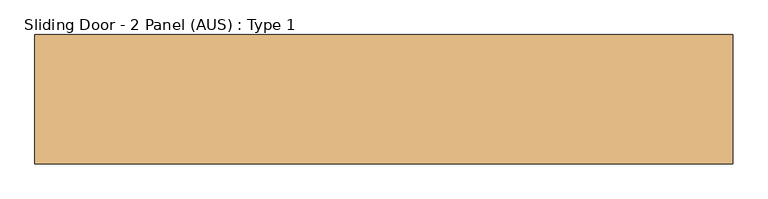
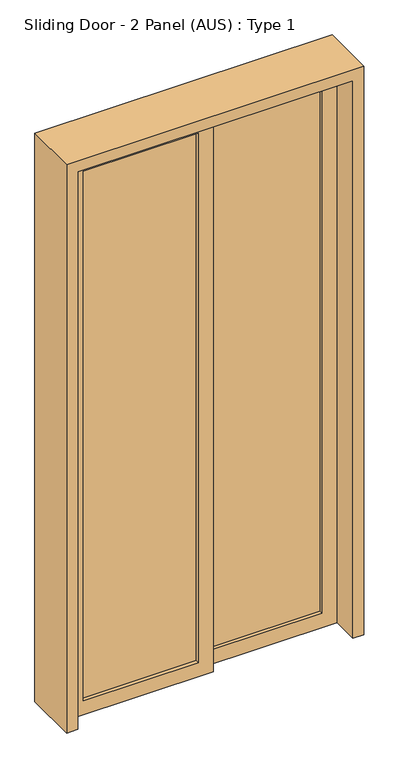
"""IFC4 building model written with IfcOpenShell, lengths in millimetres: door geometry, Sliding Door - 2 Panel (AUS) : Type 1."""

import ifcopenshell
import ifcopenshell.guid

model = None  # the IFC model being written
_history = None  # IfcOwnerHistory: only IFC2X3 demands one
_inside = {}  # id of a spatial element -> (the spatial element, [elements in it])
_under = {}  # id of a project, library or spatial element -> (it, [spatial elements below it])
_declared = {}  # id of a project -> (the project, [libraries it declares])
_typed = {}  # id of a type object -> (the type object, [elements of that type])
_made_of = {}  # id of a material, layer set ... -> (it, [elements and type objects made of it])


def new_model(schema):
    """Start an empty IFC model of exactly this schema.

    Asked for "IFC4X3", IfcOpenShell would pick the latest addendum, in which some entities
    have other attributes; the version numbers below select the first issue.
    IFC2X3 requires an IfcOwnerHistory on every rooted entity: one is made here for all.
    """
    global model, _history
    if schema == "IFC4X3":
        model = ifcopenshell.file(schema_version=(4, 3, 0, 0))
    else:
        model = ifcopenshell.file(schema=schema)
    _inside.clear()
    _under.clear()
    _declared.clear()
    _typed.clear()
    _made_of.clear()
    _history = None
    if model.schema == "IFC2X3":
        org = make("IfcOrganization", Name="unknown")
        user = make(
            "IfcPersonAndOrganization",
            ThePerson=make("IfcPerson", FamilyName="unknown"),
            TheOrganization=org,
        )
        app = make(
            "IfcApplication",
            ApplicationDeveloper=org,
            Version="unknown",
            ApplicationFullName="unknown",
            ApplicationIdentifier="unknown",
        )
        _history = make(
            "IfcOwnerHistory",
            OwningUser=user,
            OwningApplication=app,
            ChangeAction="ADDED",
            CreationDate=0,
        )
    return model


def make(cls, **values):
    """One entity of the class cls with the attributes given. An attribute that is None is left unset."""
    return model.create_entity(
        cls, **{name: value for name, value in values.items() if value is not None}
    )


def rooted(cls, **values):
    """An entity with a GlobalId (a new one), such as an element, a storey or a relation."""
    return make(cls, GlobalId=ifcopenshell.guid.new(), OwnerHistory=_history, **values)


def si_unit(unit_type, name, prefix=None):
    """IfcSIUnit, for example si_unit("LENGTHUNIT", "METRE", prefix="MILLI")."""
    return make("IfcSIUnit", UnitType=unit_type, Prefix=prefix, Name=name)


def assignment(units):
    """IfcUnitAssignment: the units of a project."""
    return None if units is None else make("IfcUnitAssignment", Units=units)


def point(xyz):
    """IfcCartesianPoint."""
    return None if xyz is None else make("IfcCartesianPoint", Coordinates=xyz)


def direction(xyz):
    """IfcDirection."""
    return None if xyz is None else make("IfcDirection", DirectionRatios=xyz)


def frame(location, z_axis=None, x_axis=None):
    """IfcAxis2Placement3D, a coordinate frame: its origin and axes. An axis left out is left unset."""
    return make(
        "IfcAxis2Placement3D",
        Location=point(location),
        Axis=direction(z_axis),
        RefDirection=direction(x_axis),
    )


def origin():
    """The frame at (0, 0, 0) with its axes left unset."""
    return frame((0.0, 0.0, 0.0))


def place(relative_to, where):
    """IfcLocalPlacement: puts the frame where relative to a parent placement (None: the world)."""
    return make(
        "IfcLocalPlacement", PlacementRelTo=relative_to, RelativePlacement=where
    )


def context(
    kind, dimensions, precision=None, world=None, true_north=None, identifier=None
):
    """IfcGeometricRepresentationContext, for example the 3D "Model" context."""
    return make(
        "IfcGeometricRepresentationContext",
        ContextIdentifier=identifier,
        ContextType=kind,
        CoordinateSpaceDimension=dimensions,
        Precision=precision,
        WorldCoordinateSystem=world,
        TrueNorth=true_north,
    )


def project(units=None, contexts=None):
    """IfcProject with its units and contexts."""
    return rooted(
        "IfcProject",
        Name="project",
        RepresentationContexts=contexts,
        UnitsInContext=assignment(units),
    )


def spatial(cls, under=None, at=None, **own):
    """A site, building, storey or space (cls), placed at a placement, below another one or the project."""
    s = rooted(cls, ObjectPlacement=at, **own)
    if under is not None:
        _under.setdefault(under.id(), (under, []))[1].append(s)
    return s


def polyline(points):
    """IfcPolyline through the points."""
    return make("IfcPolyline", Points=[point(p) for p in points])


def outline(outer, holes=None, kind="AREA"):
    """IfcArbitraryClosedProfileDef: a profile drawn as a closed curve; with holes, ...WithVoids."""
    if holes is None:
        return make("IfcArbitraryClosedProfileDef", ProfileType=kind, OuterCurve=outer)
    return make(
        "IfcArbitraryProfileDefWithVoids",
        ProfileType=kind,
        OuterCurve=outer,
        InnerCurves=holes,
    )


def extrude(swept, where, along, depth):
    """IfcExtrudedAreaSolid: the profile swept, set in the frame where, extruded along a direction by depth."""
    return make(
        "IfcExtrudedAreaSolid",
        SweptArea=swept,
        Position=where,
        ExtrudedDirection=direction(along),
        Depth=depth,
    )


def shape(context_of_items, identifier, shape_type, items):
    """IfcShapeRepresentation: the items that make up one representation, for example the "Body"."""
    return make(
        "IfcShapeRepresentation",
        ContextOfItems=context_of_items,
        RepresentationIdentifier=identifier,
        RepresentationType=shape_type,
        Items=items,
    )


def source(mapping_origin, context_of_items, identifier, shape_type, items):
    """IfcRepresentationMap: a shape defined once, which mapped items show again and again."""
    return make(
        "IfcRepresentationMap",
        MappingOrigin=mapping_origin,
        MappedRepresentation=shape(context_of_items, identifier, shape_type, items),
    )


def transform(
    local_origin,
    x_axis=None,
    y_axis=None,
    z_axis=None,
    scale=None,
    scale2=None,
    scale3=None,
    uniform=True,
):
    """IfcCartesianTransformationOperator3D, or its non-uniform kind. x_axis, y_axis, z_axis: its Axis1, 2, 3."""
    if uniform:
        return make(
            "IfcCartesianTransformationOperator3D",
            Axis1=direction(x_axis),
            Axis2=direction(y_axis),
            LocalOrigin=point(local_origin),
            Scale=scale,
            Axis3=direction(z_axis),
        )
    return make(
        "IfcCartesianTransformationOperator3DnonUniform",
        Axis1=direction(x_axis),
        Axis2=direction(y_axis),
        LocalOrigin=point(local_origin),
        Scale=scale,
        Axis3=direction(z_axis),
        Scale2=scale2,
        Scale3=scale3,
    )


def mapped(mapping_source, mapping_target):
    """IfcMappedItem: shows the shape of a source again, moved by a transform."""
    return make(
        "IfcMappedItem", MappingSource=mapping_source, MappingTarget=mapping_target
    )


def made_of(thing, what):
    """Note that an element or type object is made of a material, layer set ...; save() writes the relation."""
    if what is not None:
        _made_of.setdefault(what.id(), (what, []))[1].append(thing)
    return thing


def element(
    cls,
    number,
    at=None,
    inside=None,
    cuts=None,
    type_object=None,
    material=None,
    context=None,
    identifier="Body",
    shape_type=None,
    held_by="IfcProductDefinitionShape",
    body=None,
    shapes=None,
    **own,
):
    """One element of the class cls, such as IfcWall. Its Tag is "e" and its number.

    at: its placement. inside: the storey or other place that contains it. cuts: it is an
    opening in that element (IfcRelVoidsElement). A single representation is given by context,
    identifier, shape_type and body (its items); several are given by shapes. held_by: the class
    of the entity that holds the representations. save() writes the other relations.
    """
    e = rooted(cls, Tag="e%d" % number, ObjectPlacement=at, **own)
    if body is not None:
        shapes = [shape(context, identifier, shape_type, body)]
    if shapes is not None:
        e.Representation = make(held_by, Representations=shapes)
    if inside is not None:
        _inside.setdefault(inside.id(), (inside, []))[1].append(e)
    if cuts is not None:
        rooted(
            "IfcRelVoidsElement", RelatingBuildingElement=cuts, RelatedOpeningElement=e
        )
    if type_object is not None:
        _typed.setdefault(type_object.id(), (type_object, []))[1].append(e)
    return made_of(e, material)


def aggregate(whole, parts):
    """IfcRelAggregates: a whole, such as a stair, and the parts it consists of."""
    return rooted("IfcRelAggregates", RelatingObject=whole, RelatedObjects=parts)


def save(model, path):
    """Write the relations noted so far, then the file.

    IfcRelAggregates (storeys below a building ...), IfcRelContainedInSpatialStructure (elements
    in a storey), IfcRelDefinesByType, IfcRelAssociatesMaterial and IfcRelDeclares: one each for
    every whole, place, type object, material and project.
    """
    for whole, parts in _under.values():
        aggregate(whole, parts)
    for where, things in _inside.values():
        rooted(
            "IfcRelContainedInSpatialStructure",
            RelatedElements=things,
            RelatingStructure=where,
        )
    for kind, things in _typed.values():
        rooted("IfcRelDefinesByType", RelatedObjects=things, RelatingType=kind)
    for what, things in _made_of.values():
        rooted("IfcRelAssociatesMaterial", RelatedObjects=things, RelatingMaterial=what)
    for by, libraries in _declared.values():
        rooted("IfcRelDeclares", RelatingContext=by, RelatedDefinitions=libraries)
    model.write(path)


def sliding_door_2_panel_aus_type_1_bba8a9fd(model_context):
    return source(origin(), model_context, "Body", "SweptSolid", [
        extrude(outline(polyline([(530.7580012, 26.6666667), (530.7580012, 13.3333333), (113.2580012, 13.3333333), (113.2580012, 26.6666667), (530.7580012, 26.6666667)])), frame((0.0, 0.0, 55.0), z_axis=(0.0, 0.0, 1.0), x_axis=(1.0, 0.0, 0.0)), (0.0, 0.0, 1.0), 2033.0),
        extrude(outline(polyline([(0.0, 585.7580012), (2143.0, 585.7580012), (2143.0, 58.2580012), (0.0, 58.2580012), (0.0, 585.7580012)]), holes=[polyline([(55.0, 530.7580012), (55.0, 113.2580012), (2088.0, 113.2580012), (2088.0, 530.7580012), (55.0, 530.7580012)])]), frame((0.0, 0.0, 0.0), z_axis=(0.0, 1.0, 0.0), x_axis=(0.0, 0.0, 1.0)), (0.0, 0.0, 1.0), 40.0),
        extrude(outline(polyline([(58.2580012, -13.3333333), (58.2580012, -26.6666667), (-359.2419988, -26.6666667), (-359.2419988, -13.3333333), (58.2580012, -13.3333333)])), frame((0.0, 0.0, 55.0), z_axis=(0.0, 0.0, 1.0), x_axis=(1.0, 0.0, 0.0)), (0.0, 0.0, 1.0), 2033.0),
        extrude(outline(polyline([(0.0, 113.2580012), (2143.0, 113.2580012), (2143.0, -414.2419988), (0.0, -414.2419988), (0.0, 113.2580012)]), holes=[polyline([(55.0, 58.2580012), (55.0, -359.2419988), (2088.0, -359.2419988), (2088.0, 58.2580012), (55.0, 58.2580012)])]), frame((0.0, -40.0, 0.0), z_axis=(0.0, 1.0, 0.0), x_axis=(0.0, 0.0, 1.0)), (0.0, 0.0, 1.0), 40.0),
        extrude(outline(polyline([(0.0, -454.2419988), (0.0, -414.2419988), (2143.0, -414.2419988), (2143.0, 585.7580012), (0.0, 585.7580012), (0.0, 625.7580012), (2183.0, 625.7580012), (2183.0, -454.2419988), (0.0, -454.2419988)])), frame((0.0, -100.0, 0.0), z_axis=(0.0, 1.0, 0.0), x_axis=(0.0, 0.0, 1.0)), (0.0, 0.0, 1.0), 200.0),
    ])


if __name__ == "__main__":
    model = new_model("IFC4")
    model_context = context("Model", 3, world=origin())
    ifc_project = project(units=[si_unit("LENGTHUNIT", "METRE", prefix="MILLI")], contexts=[model_context])
    site = spatial("IfcSite", under=ifc_project)
    building = spatial("IfcBuilding", under=site)
    placement = place(None, origin())
    sliding_door_2_panel_aus_type_1_shape = sliding_door_2_panel_aus_type_1_bba8a9fd(model_context)
    element("IfcDoor", 1, ObjectType="Sliding Door - 2 Panel (AUS) : Type 1", at=placement, inside=building, context=model_context, shape_type="MappedRepresentation", body=[
        mapped(sliding_door_2_panel_aus_type_1_shape, transform((0.0, 0.0, 0.0), x_axis=(1.0, 0.0, 0.0), y_axis=(0.0, 1.0, 0.0), z_axis=(0.0, 0.0, 1.0))),
    ])
    save(model, "model.ifc")
